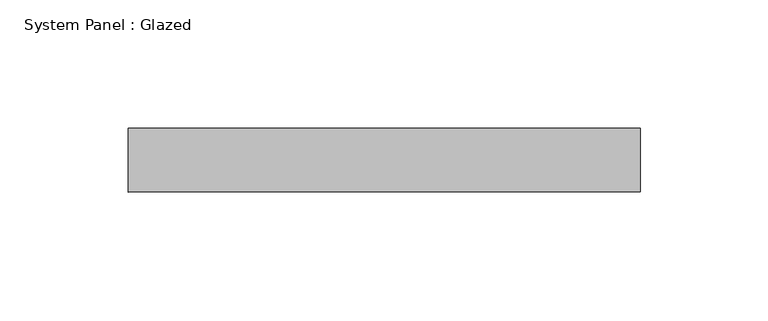
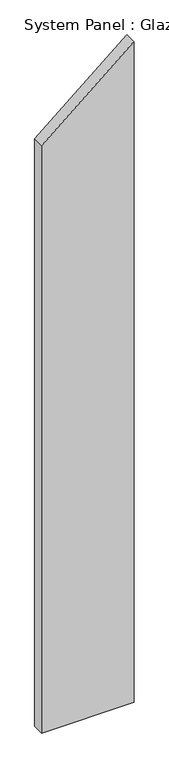
"""IFC4 building model written with IfcOpenShell, lengths in millimetres: plate geometry, System Panel : Glazed."""

from ifc_helpers import new_model, si_unit, frame, origin, place, context, project, spatial, polyline, outline, extrude, source, transform, mapped, element, save


def system_panel_glazed_67185173(model_context):
    return source(origin(), model_context, "Body", "SweptSolid", [
        extrude(outline(polyline([(0.0, -100.0), (0.0, 100.0), (1510.3793364, 100.0), (1342.5594101, -100.0), (0.0, -100.0)])), frame((0.0, 24.5, 0.0), z_axis=(0.0, 1.0, 0.0), x_axis=(0.0, 0.0, 1.0)), (0.0, 0.0, 1.0), 25.0),
    ])


if __name__ == "__main__":
    model = new_model("IFC4")
    model_context = context("Model", 3, world=origin())
    ifc_project = project(units=[si_unit("LENGTHUNIT", "METRE", prefix="MILLI")], contexts=[model_context])
    site = spatial("IfcSite", under=ifc_project)
    building = spatial("IfcBuilding", under=site)
    placement = place(None, origin())
    system_panel_glazed_shape = system_panel_glazed_67185173(model_context)
    element("IfcPlate", 1, ObjectType="System Panel : Glazed", at=placement, inside=building, context=model_context, shape_type="MappedRepresentation", body=[
        mapped(system_panel_glazed_shape, transform((0.0, 0.0, 0.0), x_axis=(1.0, 0.0, 0.0), y_axis=(0.0, 1.0, 0.0), z_axis=(0.0, 0.0, 1.0))),
    ])
    save(model, "model.ifc")
